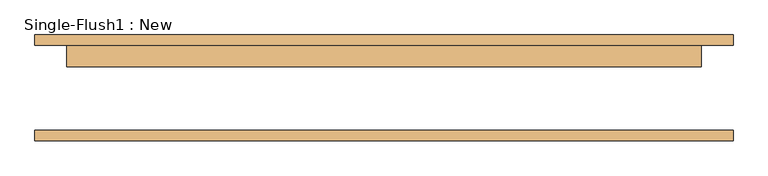
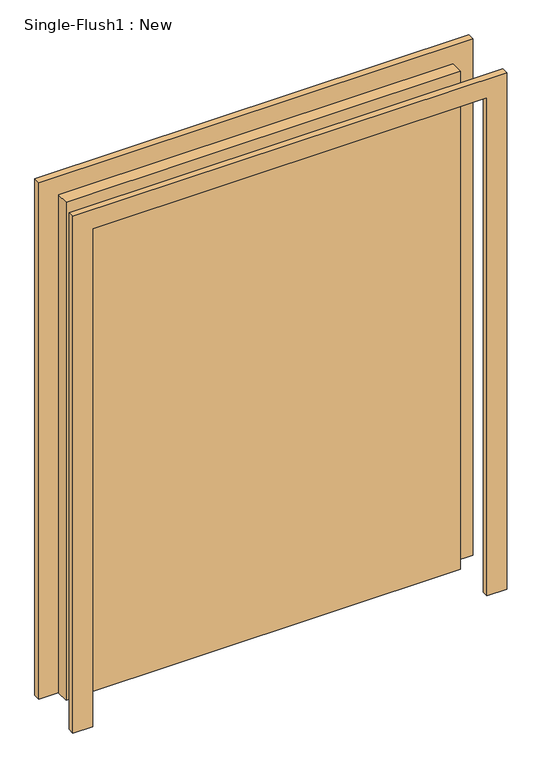
"""IFC4 building model written with IfcOpenShell, lengths in millimetres: door geometry, Single-Flush1 : New."""

from ifc_helpers import new_model, si_unit, frame, origin, origin_with_axes, place, context, project, spatial, polyline, outline, extrude, source, transform, mapped, element, save


def single_flush1_new_d8206d5f(model_context):
    return source(origin(), model_context, "Body", "SweptSolid", [
        extrude(outline(polyline([(2108.2, -838.2), (0.0, -838.2), (0.0, -762.0), (2032.0, -762.0), (2032.0, 762.0), (0.0, 762.0), (0.0, 838.2), (2108.2, 838.2), (2108.2, -838.2)])), frame((0.0, 101.6, 0.0), z_axis=(0.0, 1.0, 0.0), x_axis=(0.0, 0.0, 1.0)), (0.0, 0.0, 1.0), 25.4),
        extrude(outline(polyline([(2108.2, 838.2), (2108.2, -838.2), (0.0, -838.2), (0.0, -762.0), (2032.0, -762.0), (2032.0, 762.0), (0.0, 762.0), (0.0, 838.2), (2108.2, 838.2)])), frame((0.0, -127.0, 0.0), z_axis=(0.0, 1.0, 0.0), x_axis=(0.0, 0.0, 1.0)), (0.0, 0.0, 1.0), 25.4),
        extrude(outline(polyline([(762.0, 50.8), (-762.0, 50.8), (-762.0, 101.6), (762.0, 101.6), (762.0, 50.8)])), origin_with_axes(), (0.0, 0.0, 1.0), 2032.0),
    ])


if __name__ == "__main__":
    model = new_model("IFC4")
    model_context = context("Model", 3, world=origin())
    ifc_project = project(units=[si_unit("LENGTHUNIT", "METRE", prefix="MILLI")], contexts=[model_context])
    site = spatial("IfcSite", under=ifc_project)
    building = spatial("IfcBuilding", under=site)
    placement = place(None, origin())
    single_flush1_new_shape = single_flush1_new_d8206d5f(model_context)
    element("IfcDoor", 1, ObjectType="Single-Flush1 : New", at=placement, inside=building, context=model_context, shape_type="MappedRepresentation", body=[
        mapped(single_flush1_new_shape, transform((0.0, 0.0, 0.0), x_axis=(1.0, 0.0, 0.0), y_axis=(0.0, 1.0, 0.0), z_axis=(0.0, 0.0, 1.0))),
    ])
    save(model, "model.ifc")
